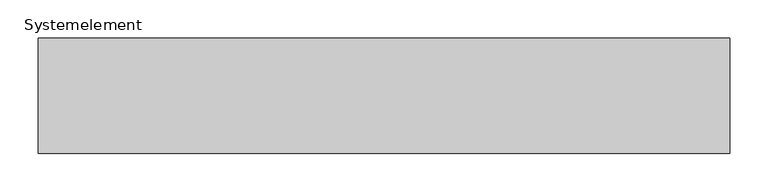
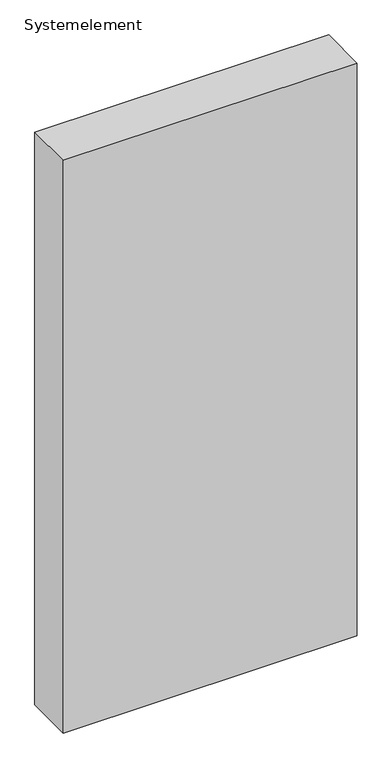
"""IFC4 building model written with IfcOpenShell, lengths in millimetres: plate geometry, Systemelement."""

import ifcopenshell
import ifcopenshell.guid

model = None  # the IFC model being written
_history = None  # IfcOwnerHistory: only IFC2X3 demands one
_inside = {}  # id of a spatial element -> (the spatial element, [elements in it])
_under = {}  # id of a project, library or spatial element -> (it, [spatial elements below it])
_declared = {}  # id of a project -> (the project, [libraries it declares])
_typed = {}  # id of a type object -> (the type object, [elements of that type])
_made_of = {}  # id of a material, layer set ... -> (it, [elements and type objects made of it])


def new_model(schema):
    """Start an empty IFC model of exactly this schema.

    Asked for "IFC4X3", IfcOpenShell would pick the latest addendum, in which some entities
    have other attributes; the version numbers below select the first issue.
    IFC2X3 requires an IfcOwnerHistory on every rooted entity: one is made here for all.
    """
    global model, _history
    if schema == "IFC4X3":
        model = ifcopenshell.file(schema_version=(4, 3, 0, 0))
    else:
        model = ifcopenshell.file(schema=schema)
    _inside.clear()
    _under.clear()
    _declared.clear()
    _typed.clear()
    _made_of.clear()
    _history = None
    if model.schema == "IFC2X3":
        org = make("IfcOrganization", Name="unknown")
        user = make(
            "IfcPersonAndOrganization",
            ThePerson=make("IfcPerson", FamilyName="unknown"),
            TheOrganization=org,
        )
        app = make(
            "IfcApplication",
            ApplicationDeveloper=org,
            Version="unknown",
            ApplicationFullName="unknown",
            ApplicationIdentifier="unknown",
        )
        _history = make(
            "IfcOwnerHistory",
            OwningUser=user,
            OwningApplication=app,
            ChangeAction="ADDED",
            CreationDate=0,
        )
    return model


def make(cls, **values):
    """One entity of the class cls with the attributes given. An attribute that is None is left unset."""
    return model.create_entity(
        cls, **{name: value for name, value in values.items() if value is not None}
    )


def rooted(cls, **values):
    """An entity with a GlobalId (a new one), such as an element, a storey or a relation."""
    return make(cls, GlobalId=ifcopenshell.guid.new(), OwnerHistory=_history, **values)


def si_unit(unit_type, name, prefix=None):
    """IfcSIUnit, for example si_unit("LENGTHUNIT", "METRE", prefix="MILLI")."""
    return make("IfcSIUnit", UnitType=unit_type, Prefix=prefix, Name=name)


def assignment(units):
    """IfcUnitAssignment: the units of a project."""
    return None if units is None else make("IfcUnitAssignment", Units=units)


def point(xyz):
    """IfcCartesianPoint."""
    return None if xyz is None else make("IfcCartesianPoint", Coordinates=xyz)


def direction(xyz):
    """IfcDirection."""
    return None if xyz is None else make("IfcDirection", DirectionRatios=xyz)


def frame(location, z_axis=None, x_axis=None):
    """IfcAxis2Placement3D, a coordinate frame: its origin and axes. An axis left out is left unset."""
    return make(
        "IfcAxis2Placement3D",
        Location=point(location),
        Axis=direction(z_axis),
        RefDirection=direction(x_axis),
    )


def origin():
    """The frame at (0, 0, 0) with its axes left unset."""
    return frame((0.0, 0.0, 0.0))


def origin_with_axes():
    """The frame at (0, 0, 0) with the z axis (0, 0, 1) and the x axis (1, 0, 0) written out."""
    return frame((0.0, 0.0, 0.0), z_axis=(0.0, 0.0, 1.0), x_axis=(1.0, 0.0, 0.0))


def place(relative_to, where):
    """IfcLocalPlacement: puts the frame where relative to a parent placement (None: the world)."""
    return make(
        "IfcLocalPlacement", PlacementRelTo=relative_to, RelativePlacement=where
    )


def context(
    kind, dimensions, precision=None, world=None, true_north=None, identifier=None
):
    """IfcGeometricRepresentationContext, for example the 3D "Model" context."""
    return make(
        "IfcGeometricRepresentationContext",
        ContextIdentifier=identifier,
        ContextType=kind,
        CoordinateSpaceDimension=dimensions,
        Precision=precision,
        WorldCoordinateSystem=world,
        TrueNorth=true_north,
    )


def project(units=None, contexts=None):
    """IfcProject with its units and contexts."""
    return rooted(
        "IfcProject",
        Name="project",
        RepresentationContexts=contexts,
        UnitsInContext=assignment(units),
    )


def spatial(cls, under=None, at=None, **own):
    """A site, building, storey or space (cls), placed at a placement, below another one or the project."""
    s = rooted(cls, ObjectPlacement=at, **own)
    if under is not None:
        _under.setdefault(under.id(), (under, []))[1].append(s)
    return s


def polyline(points):
    """IfcPolyline through the points."""
    return make("IfcPolyline", Points=[point(p) for p in points])


def outline(outer, holes=None, kind="AREA"):
    """IfcArbitraryClosedProfileDef: a profile drawn as a closed curve; with holes, ...WithVoids."""
    if holes is None:
        return make("IfcArbitraryClosedProfileDef", ProfileType=kind, OuterCurve=outer)
    return make(
        "IfcArbitraryProfileDefWithVoids",
        ProfileType=kind,
        OuterCurve=outer,
        InnerCurves=holes,
    )


def extrude(swept, where, along, depth):
    """IfcExtrudedAreaSolid: the profile swept, set in the frame where, extruded along a direction by depth."""
    return make(
        "IfcExtrudedAreaSolid",
        SweptArea=swept,
        Position=where,
        ExtrudedDirection=direction(along),
        Depth=depth,
    )


def shape(context_of_items, identifier, shape_type, items):
    """IfcShapeRepresentation: the items that make up one representation, for example the "Body"."""
    return make(
        "IfcShapeRepresentation",
        ContextOfItems=context_of_items,
        RepresentationIdentifier=identifier,
        RepresentationType=shape_type,
        Items=items,
    )


def source(mapping_origin, context_of_items, identifier, shape_type, items):
    """IfcRepresentationMap: a shape defined once, which mapped items show again and again."""
    return make(
        "IfcRepresentationMap",
        MappingOrigin=mapping_origin,
        MappedRepresentation=shape(context_of_items, identifier, shape_type, items),
    )


def transform(
    local_origin,
    x_axis=None,
    y_axis=None,
    z_axis=None,
    scale=None,
    scale2=None,
    scale3=None,
    uniform=True,
):
    """IfcCartesianTransformationOperator3D, or its non-uniform kind. x_axis, y_axis, z_axis: its Axis1, 2, 3."""
    if uniform:
        return make(
            "IfcCartesianTransformationOperator3D",
            Axis1=direction(x_axis),
            Axis2=direction(y_axis),
            LocalOrigin=point(local_origin),
            Scale=scale,
            Axis3=direction(z_axis),
        )
    return make(
        "IfcCartesianTransformationOperator3DnonUniform",
        Axis1=direction(x_axis),
        Axis2=direction(y_axis),
        LocalOrigin=point(local_origin),
        Scale=scale,
        Axis3=direction(z_axis),
        Scale2=scale2,
        Scale3=scale3,
    )


def mapped(mapping_source, mapping_target):
    """IfcMappedItem: shows the shape of a source again, moved by a transform."""
    return make(
        "IfcMappedItem", MappingSource=mapping_source, MappingTarget=mapping_target
    )


def made_of(thing, what):
    """Note that an element or type object is made of a material, layer set ...; save() writes the relation."""
    if what is not None:
        _made_of.setdefault(what.id(), (what, []))[1].append(thing)
    return thing


def element(
    cls,
    number,
    at=None,
    inside=None,
    cuts=None,
    type_object=None,
    material=None,
    context=None,
    identifier="Body",
    shape_type=None,
    held_by="IfcProductDefinitionShape",
    body=None,
    shapes=None,
    **own,
):
    """One element of the class cls, such as IfcWall. Its Tag is "e" and its number.

    at: its placement. inside: the storey or other place that contains it. cuts: it is an
    opening in that element (IfcRelVoidsElement). A single representation is given by context,
    identifier, shape_type and body (its items); several are given by shapes. held_by: the class
    of the entity that holds the representations. save() writes the other relations.
    """
    e = rooted(cls, Tag="e%d" % number, ObjectPlacement=at, **own)
    if body is not None:
        shapes = [shape(context, identifier, shape_type, body)]
    if shapes is not None:
        e.Representation = make(held_by, Representations=shapes)
    if inside is not None:
        _inside.setdefault(inside.id(), (inside, []))[1].append(e)
    if cuts is not None:
        rooted(
            "IfcRelVoidsElement", RelatingBuildingElement=cuts, RelatedOpeningElement=e
        )
    if type_object is not None:
        _typed.setdefault(type_object.id(), (type_object, []))[1].append(e)
    return made_of(e, material)


def aggregate(whole, parts):
    """IfcRelAggregates: a whole, such as a stair, and the parts it consists of."""
    return rooted("IfcRelAggregates", RelatingObject=whole, RelatedObjects=parts)


def save(model, path):
    """Write the relations noted so far, then the file.

    IfcRelAggregates (storeys below a building ...), IfcRelContainedInSpatialStructure (elements
    in a storey), IfcRelDefinesByType, IfcRelAssociatesMaterial and IfcRelDeclares: one each for
    every whole, place, type object, material and project.
    """
    for whole, parts in _under.values():
        aggregate(whole, parts)
    for where, things in _inside.values():
        rooted(
            "IfcRelContainedInSpatialStructure",
            RelatedElements=things,
            RelatingStructure=where,
        )
    for kind, things in _typed.values():
        rooted("IfcRelDefinesByType", RelatedObjects=things, RelatingType=kind)
    for what, things in _made_of.values():
        rooted("IfcRelAssociatesMaterial", RelatedObjects=things, RelatingMaterial=what)
    for by, libraries in _declared.values():
        rooted("IfcRelDeclares", RelatingContext=by, RelatedDefinitions=libraries)
    model.write(path)


def systemelement_72a1d612(model_context):
    return source(origin(), model_context, "Body", "SweptSolid", [
        extrude(outline(polyline([(450.0, -150.0), (-450.0, -150.0), (-450.0, 0.0), (450.0, 0.0), (450.0, -150.0)])), origin_with_axes(), (0.0, 0.0, 1.0), 1851.6147161),
    ])


if __name__ == "__main__":
    model = new_model("IFC4")
    model_context = context("Model", 3, world=origin())
    ifc_project = project(units=[si_unit("LENGTHUNIT", "METRE", prefix="MILLI")], contexts=[model_context])
    site = spatial("IfcSite", under=ifc_project)
    building = spatial("IfcBuilding", under=site)
    placement = place(None, origin())
    systemelement_shape = systemelement_72a1d612(model_context)
    element("IfcPlate", 1, ObjectType="Systemelement", at=placement, inside=building, context=model_context, shape_type="MappedRepresentation", body=[
        mapped(systemelement_shape, transform((0.0, 0.0, 0.0), x_axis=(1.0, 0.0, 0.0), y_axis=(0.0, 1.0, 0.0), z_axis=(0.0, 0.0, 1.0))),
    ])
    save(model, "model.ifc")
